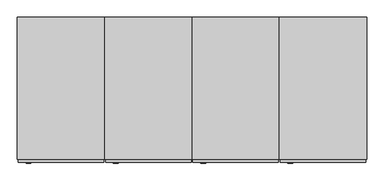
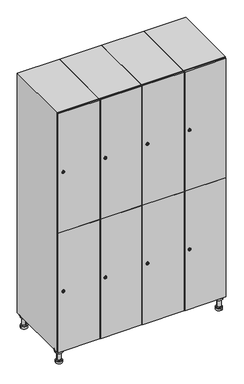
"""IFC4 building model written with IfcOpenShell, lengths in millimetres: furniture geometry."""

from ifc_helpers import new_model, si_unit, point, frame, frame_2d, origin, place, context, project, spatial, polyline, circle_curve, trimmed, segment, composite_curve, outline, extrude, faceted_brep, source, transform, mapped, element, save
from ifc_brep_helpers import plane_surface, cylinder_surface, revolved_surface, advanced_brep


def furniture_1a298f1e(model_context):
    return source(origin(), model_context, "Body", "SolidModel", [
        advanced_brep(
        [(970.0, -201.0, 22.0), (970.0, -201.5, 16.0), (970.0, -228.5, 16.0), (970.0, -229.0, 22.0), (956.0, -215.0, 22.0), (984.0, -215.0, 22.0), (970.0, -192.5, 16.0), (970.0, -237.5, 16.0), (970.0, -192.5, 0.0), (970.0, -237.5, 0.0), (984.0, -215.0, 78.0), (956.0, -215.0, 78.0), (995.0, -215.0, 78.0), (945.0, -215.0, 78.0), (1000.0, -215.0, 94.0), (940.0, -215.0, 94.0), (945.0, -215.0, 94.0), (995.0, -215.0, 94.0), (1000.0, -215.0, 100.0), (940.0, -215.0, 100.0)],
        [
            (0, 1),
            (1, 2, circle_curve(frame((970.0, -215.0, 16.0), z_axis=(0.0, 0.0, 1.0), x_axis=(0.0, -1.0, 0.0)), 13.5)),
            (2, 3),
            (3, 4, circle_curve(frame((970.0, -215.0, 22.0), z_axis=(0.0, 0.0, -1.0), x_axis=(0.0, -1.0, 0.0)), 14.0)),
            (4, 0, circle_curve(frame((970.0, -215.0, 22.0), z_axis=(0.0, 0.0, -1.0), x_axis=(0.0, -1.0, 0.0)), 14.0)),
            (0, 5, circle_curve(frame((970.0, -215.0, 22.0), z_axis=(0.0, 0.0, -1.0), x_axis=(0.0, 1.0, 0.0)), 14.0)),
            (5, 3, circle_curve(frame((970.0, -215.0, 22.0), z_axis=(0.0, 0.0, -1.0), x_axis=(0.0, 1.0, 0.0)), 14.0)),
            (2, 1, circle_curve(frame((970.0, -215.0, 16.0), z_axis=(0.0, 0.0, 1.0), x_axis=(0.0, 1.0, 0.0)), 13.5)),
            (6, 7, circle_curve(frame((970.0, -215.0, 16.0), z_axis=(0.0, 0.0, 1.0), x_axis=(0.0, -1.0, 0.0)), 22.5)),
            (7, 6, circle_curve(frame((970.0, -215.0, 16.0), z_axis=(0.0, 0.0, 1.0), x_axis=(0.0, -1.0, 0.0)), 22.5)),
            (8, 9, circle_curve(frame((970.0, -215.0, 0.0), z_axis=(0.0, 0.0, -1.0), x_axis=(0.0, -1.0, 0.0)), 22.5)),
            (9, 8, circle_curve(frame((970.0, -215.0, 0.0), z_axis=(0.0, 0.0, -1.0), x_axis=(0.0, -1.0, 0.0)), 22.5)),
            (6, 8),
            (9, 7),
            (5, 10),
            (10, 11, circle_curve(frame((970.0, -215.0, 78.0), z_axis=(0.0, 0.0, -1.0), x_axis=(-1.0, 0.0, 0.0)), 14.0)),
            (11, 4),
            (11, 10, circle_curve(frame((970.0, -215.0, 78.0), z_axis=(0.0, 0.0, -1.0), x_axis=(-1.0, 0.0, 0.0)), 14.0)),
            (12, 13, circle_curve(frame((970.0, -215.0, 78.0), z_axis=(0.0, 0.0, -1.0), x_axis=(-1.0, 0.0, 0.0)), 25.0)),
            (13, 12, circle_curve(frame((970.0, -215.0, 78.0), z_axis=(0.0, 0.0, -1.0), x_axis=(-1.0, 0.0, 0.0)), 25.0)),
            (14, 15, circle_curve(frame((970.0, -215.0, 94.0), z_axis=(0.0, 0.0, -1.0), x_axis=(-1.0, 0.0, 0.0)), 30.0)),
            (15, 14, circle_curve(frame((970.0, -215.0, 94.0), z_axis=(0.0, 0.0, -1.0), x_axis=(-1.0, 0.0, 0.0)), 30.0)),
            (16, 17, circle_curve(frame((970.0, -215.0, 94.0), z_axis=(0.0, 0.0, 1.0), x_axis=(-1.0, 0.0, 0.0)), 25.0)),
            (17, 16, circle_curve(frame((970.0, -215.0, 94.0), z_axis=(0.0, 0.0, 1.0), x_axis=(-1.0, 0.0, 0.0)), 25.0)),
            (18, 19, circle_curve(frame((970.0, -215.0, 100.0), z_axis=(0.0, 0.0, 1.0), x_axis=(-1.0, 0.0, 0.0)), 30.0)),
            (19, 18, circle_curve(frame((970.0, -215.0, 100.0), z_axis=(0.0, 0.0, 1.0), x_axis=(-1.0, 0.0, 0.0)), 30.0)),
            (14, 18),
            (19, 15),
            (12, 17),
            (16, 13),
        ],
        [
            revolved_surface(polyline([(970.0, -201.5, 16.0), (970.0, -201.0, 22.0)]), (970.0, -215.0, -146.0), (0.0, 0.0, 1.0)),
            plane_surface(frame((970.0, 0.0, 16.0), z_axis=(0.0, 0.0, 1.0), x_axis=(0.0, -1.0, 0.0))),
            plane_surface(frame((970.0, 0.0, 0.0), z_axis=(0.0, 0.0, -1.0), x_axis=(0.0, -1.0, 0.0))),
            cylinder_surface(frame((970.0, -215.0, 16.0), z_axis=(0.0, 0.0, 1.0), x_axis=(0.0, -1.0, 0.0)), 22.5),
            cylinder_surface(frame((970.0, -215.0, 22.0), z_axis=(0.0, 0.0, -1.0), x_axis=(-1.0, 0.0, 0.0)), 14.0),
            plane_surface(frame((970.0, 0.0, 78.0), z_axis=(0.0, 0.0, -1.0), x_axis=(0.0, -1.0, 0.0))),
            plane_surface(frame((970.0, 0.0, 94.0), z_axis=(0.0, 0.0, -1.0), x_axis=(0.0, -1.0, 0.0))),
            plane_surface(frame((970.0, 0.0, 100.0), z_axis=(0.0, 0.0, 1.0), x_axis=(0.0, -1.0, 0.0))),
            cylinder_surface(frame((970.0, -215.0, 94.0), z_axis=(0.0, 0.0, -1.0), x_axis=(-1.0, 0.0, 0.0)), 30.0),
            cylinder_surface(frame((970.0, -215.0, 78.0), z_axis=(0.0, 0.0, -1.0), x_axis=(-1.0, 0.0, 0.0)), 25.0),
        ],
        [
            (0, [[1, 2, 3, 4, 5]]),
            (0, [[-1, 6, 7, -3, 8]]),
            (1, [[9, 10], [-2, -8]]),
            (2, [[11, 12]]),
            (3, [[-9, 13, -12, 14]]),
            (3, [[-10, -14, -11, -13]]),
            (4, [[15, 16, 17, -4, -7]]),
            (4, [[-15, -6, -5, -17, 18]]),
            (5, [[19, 20], [-16, -18]]),
            (6, [[21, 22], [23, 24]]),
            (7, [[25, 26]]),
            (8, [[-21, 27, -26, 28]]),
            (8, [[-22, -28, -25, -27]]),
            (9, [[-19, 29, -23, 30]]),
            (9, [[-20, -30, -24, -29]]),
        ],
    ),
        advanced_brep(
        [(-170.0, -201.0, 22.0), (-170.0, -201.5, 16.0), (-170.0, -228.5, 16.0), (-170.0, -229.0, 22.0), (-184.0, -215.0, 22.0), (-156.0, -215.0, 22.0), (-147.5, -215.0, 0.0), (-192.5, -215.0, 0.0), (-147.5, -215.0, 16.0), (-192.5, -215.0, 16.0), (-156.0, -215.0, 78.0), (-184.0, -215.0, 78.0), (-145.0, -215.0, 78.0), (-195.0, -215.0, 78.0), (-140.0, -215.0, 94.0), (-200.0, -215.0, 94.0), (-195.0, -215.0, 94.0), (-145.0, -215.0, 94.0), (-140.0, -215.0, 100.0), (-200.0, -215.0, 100.0)],
        [
            (0, 1),
            (1, 2, circle_curve(frame((-170.0, -215.0, 16.0), z_axis=(0.0, 0.0, 1.0), x_axis=(0.0, -1.0, 0.0)), 13.5)),
            (2, 3),
            (3, 4, circle_curve(frame((-170.0, -215.0, 22.0), z_axis=(0.0, 0.0, -1.0), x_axis=(0.0, -1.0, 0.0)), 14.0)),
            (4, 0, circle_curve(frame((-170.0, -215.0, 22.0), z_axis=(0.0, 0.0, -1.0), x_axis=(0.0, -1.0, 0.0)), 14.0)),
            (0, 5, circle_curve(frame((-170.0, -215.0, 22.0), z_axis=(0.0, 0.0, -1.0), x_axis=(0.0, 1.0, 0.0)), 14.0)),
            (5, 3, circle_curve(frame((-170.0, -215.0, 22.0), z_axis=(0.0, 0.0, -1.0), x_axis=(0.0, 1.0, 0.0)), 14.0)),
            (2, 1, circle_curve(frame((-170.0, -215.0, 16.0), z_axis=(0.0, 0.0, 1.0), x_axis=(0.0, 1.0, 0.0)), 13.5)),
            (6, 7, circle_curve(frame((-170.0, -215.0, 0.0), z_axis=(0.0, 0.0, -1.0), x_axis=(-1.0, 0.0, 0.0)), 22.5)),
            (7, 6, circle_curve(frame((-170.0, -215.0, 0.0), z_axis=(0.0, 0.0, -1.0), x_axis=(-1.0, 0.0, 0.0)), 22.5)),
            (8, 9, circle_curve(frame((-170.0, -215.0, 16.0), z_axis=(0.0, 0.0, 1.0), x_axis=(-1.0, 0.0, 0.0)), 22.5)),
            (9, 8, circle_curve(frame((-170.0, -215.0, 16.0), z_axis=(0.0, 0.0, 1.0), x_axis=(-1.0, 0.0, 0.0)), 22.5)),
            (6, 8),
            (9, 7),
            (5, 10),
            (10, 11, circle_curve(frame((-170.0, -215.0, 78.0), z_axis=(0.0, 0.0, -1.0), x_axis=(-1.0, 0.0, 0.0)), 14.0)),
            (11, 4),
            (11, 10, circle_curve(frame((-170.0, -215.0, 78.0), z_axis=(0.0, 0.0, -1.0), x_axis=(-1.0, 0.0, 0.0)), 14.0)),
            (12, 13, circle_curve(frame((-170.0, -215.0, 78.0), z_axis=(0.0, 0.0, -1.0), x_axis=(-1.0, 0.0, 0.0)), 25.0)),
            (13, 12, circle_curve(frame((-170.0, -215.0, 78.0), z_axis=(0.0, 0.0, -1.0), x_axis=(-1.0, 0.0, 0.0)), 25.0)),
            (14, 15, circle_curve(frame((-170.0, -215.0, 94.0), z_axis=(0.0, 0.0, -1.0), x_axis=(-1.0, 0.0, 0.0)), 30.0)),
            (15, 14, circle_curve(frame((-170.0, -215.0, 94.0), z_axis=(0.0, 0.0, -1.0), x_axis=(-1.0, 0.0, 0.0)), 30.0)),
            (16, 17, circle_curve(frame((-170.0, -215.0, 94.0), z_axis=(0.0, 0.0, 1.0), x_axis=(-1.0, 0.0, 0.0)), 25.0)),
            (17, 16, circle_curve(frame((-170.0, -215.0, 94.0), z_axis=(0.0, 0.0, 1.0), x_axis=(-1.0, 0.0, 0.0)), 25.0)),
            (18, 19, circle_curve(frame((-170.0, -215.0, 100.0), z_axis=(0.0, 0.0, 1.0), x_axis=(-1.0, 0.0, 0.0)), 30.0)),
            (19, 18, circle_curve(frame((-170.0, -215.0, 100.0), z_axis=(0.0, 0.0, 1.0), x_axis=(-1.0, 0.0, 0.0)), 30.0)),
            (14, 18),
            (19, 15),
            (12, 17),
            (16, 13),
        ],
        [
            revolved_surface(polyline([(-170.0, -201.5, 16.0), (-170.0, -201.0, 22.0)]), (-170.0, -215.0, -146.0), (0.0, 0.0, 1.0)),
            plane_surface(frame((-170.0, 0.0, 0.0), z_axis=(0.0, 0.0, -1.0), x_axis=(0.0, -1.0, 0.0))),
            plane_surface(frame((-170.0, 0.0, 16.0), z_axis=(0.0, 0.0, 1.0), x_axis=(0.0, -1.0, 0.0))),
            cylinder_surface(frame((-170.0, -215.0, 0.0), z_axis=(0.0, 0.0, -1.0), x_axis=(-1.0, 0.0, 0.0)), 22.5),
            cylinder_surface(frame((-170.0, -215.0, 22.0), z_axis=(0.0, 0.0, -1.0), x_axis=(-1.0, 0.0, 0.0)), 14.0),
            plane_surface(frame((-170.0, 0.0, 78.0), z_axis=(0.0, 0.0, -1.0), x_axis=(0.0, -1.0, 0.0))),
            plane_surface(frame((-170.0, 0.0, 94.0), z_axis=(0.0, 0.0, -1.0), x_axis=(0.0, -1.0, 0.0))),
            plane_surface(frame((-170.0, 0.0, 100.0), z_axis=(0.0, 0.0, 1.0), x_axis=(0.0, -1.0, 0.0))),
            cylinder_surface(frame((-170.0, -215.0, 94.0), z_axis=(0.0, 0.0, -1.0), x_axis=(-1.0, 0.0, 0.0)), 30.0),
            cylinder_surface(frame((-170.0, -215.0, 78.0), z_axis=(0.0, 0.0, -1.0), x_axis=(-1.0, 0.0, 0.0)), 25.0),
        ],
        [
            (0, [[1, 2, 3, 4, 5]]),
            (0, [[-1, 6, 7, -3, 8]]),
            (1, [[9, 10]]),
            (2, [[11, 12], [-2, -8]]),
            (3, [[-9, 13, -12, 14]]),
            (3, [[-10, -14, -11, -13]]),
            (4, [[15, 16, 17, -4, -7]]),
            (4, [[-15, -6, -5, -17, 18]]),
            (5, [[19, 20], [-16, -18]]),
            (6, [[21, 22], [23, 24]]),
            (7, [[25, 26]]),
            (8, [[-21, 27, -26, 28]]),
            (8, [[-22, -28, -25, -27]]),
            (9, [[-19, 29, -23, 30]]),
            (9, [[-20, -30, -24, -29]]),
        ],
    ),
        advanced_brep(
        [(983.5, 215.0, 16.0), (984.0, 215.0, 22.0), (956.0, 215.0, 22.0), (956.5, 215.0, 16.0), (992.5, 215.0, 0.0), (947.5, 215.0, 0.0), (992.5, 215.0, 16.0), (947.5, 215.0, 16.0), (984.0, 215.0, 78.0), (956.0, 215.0, 78.0), (995.0, 215.0, 78.0), (945.0, 215.0, 78.0), (1000.0, 215.0, 94.0), (940.0, 215.0, 94.0), (945.0, 215.0, 94.0), (995.0, 215.0, 94.0), (1000.0, 215.0, 100.0), (940.0, 215.0, 100.0)],
        [
            (0, 1),
            (1, 2, circle_curve(frame((970.0, 215.0, 22.0), z_axis=(0.0, 0.0, -1.0), x_axis=(-1.0, 0.0, 0.0)), 14.0)),
            (2, 3),
            (3, 0, circle_curve(frame((970.0, 215.0, 16.0), z_axis=(0.0, 0.0, 1.0), x_axis=(-1.0, 0.0, 0.0)), 13.5)),
            (0, 3, circle_curve(frame((970.0, 215.0, 16.0), z_axis=(0.0, 0.0, 1.0), x_axis=(1.0, 0.0, 0.0)), 13.5)),
            (2, 1, circle_curve(frame((970.0, 215.0, 22.0), z_axis=(0.0, 0.0, -1.0), x_axis=(1.0, 0.0, 0.0)), 14.0)),
            (4, 5, circle_curve(frame((970.0, 215.0, 0.0), z_axis=(0.0, 0.0, -1.0), x_axis=(-1.0, 0.0, 0.0)), 22.5)),
            (5, 4, circle_curve(frame((970.0, 215.0, 0.0), z_axis=(0.0, 0.0, -1.0), x_axis=(-1.0, 0.0, 0.0)), 22.5)),
            (6, 7, circle_curve(frame((970.0, 215.0, 16.0), z_axis=(0.0, 0.0, 1.0), x_axis=(-1.0, 0.0, 0.0)), 22.5)),
            (7, 6, circle_curve(frame((970.0, 215.0, 16.0), z_axis=(0.0, 0.0, 1.0), x_axis=(-1.0, 0.0, 0.0)), 22.5)),
            (4, 6),
            (7, 5),
            (1, 8),
            (8, 9, circle_curve(frame((970.0, 215.0, 78.0), z_axis=(0.0, 0.0, -1.0), x_axis=(-1.0, 0.0, 0.0)), 14.0)),
            (9, 2),
            (9, 8, circle_curve(frame((970.0, 215.0, 78.0), z_axis=(0.0, 0.0, -1.0), x_axis=(-1.0, 0.0, 0.0)), 14.0)),
            (10, 11, circle_curve(frame((970.0, 215.0, 78.0), z_axis=(0.0, 0.0, -1.0), x_axis=(-1.0, 0.0, 0.0)), 25.0)),
            (11, 10, circle_curve(frame((970.0, 215.0, 78.0), z_axis=(0.0, 0.0, -1.0), x_axis=(-1.0, 0.0, 0.0)), 25.0)),
            (12, 13, circle_curve(frame((970.0, 215.0, 94.0), z_axis=(0.0, 0.0, -1.0), x_axis=(-1.0, 0.0, 0.0)), 30.0)),
            (13, 12, circle_curve(frame((970.0, 215.0, 94.0), z_axis=(0.0, 0.0, -1.0), x_axis=(-1.0, 0.0, 0.0)), 30.0)),
            (14, 15, circle_curve(frame((970.0, 215.0, 94.0), z_axis=(0.0, 0.0, 1.0), x_axis=(-1.0, 0.0, 0.0)), 25.0)),
            (15, 14, circle_curve(frame((970.0, 215.0, 94.0), z_axis=(0.0, 0.0, 1.0), x_axis=(-1.0, 0.0, 0.0)), 25.0)),
            (16, 17, circle_curve(frame((970.0, 215.0, 100.0), z_axis=(0.0, 0.0, 1.0), x_axis=(-1.0, 0.0, 0.0)), 30.0)),
            (17, 16, circle_curve(frame((970.0, 215.0, 100.0), z_axis=(0.0, 0.0, 1.0), x_axis=(-1.0, 0.0, 0.0)), 30.0)),
            (12, 16),
            (17, 13),
            (10, 15),
            (14, 11),
        ],
        [
            revolved_surface(polyline([(983.5, 215.0, 16.0), (984.0, 215.0, 22.0)]), (970.0, 215.0, -146.0), (0.0, 0.0, 1.0)),
            plane_surface(frame((970.0, 0.0, 0.0), z_axis=(0.0, 0.0, -1.0), x_axis=(0.0, -1.0, 0.0))),
            plane_surface(frame((970.0, 0.0, 16.0), z_axis=(0.0, 0.0, 1.0), x_axis=(0.0, -1.0, 0.0))),
            cylinder_surface(frame((970.0, 215.0, 0.0), z_axis=(0.0, 0.0, -1.0), x_axis=(-1.0, 0.0, 0.0)), 22.5),
            cylinder_surface(frame((970.0, 215.0, 22.0), z_axis=(0.0, 0.0, -1.0), x_axis=(-1.0, 0.0, 0.0)), 14.0),
            plane_surface(frame((970.0, 0.0, 78.0), z_axis=(0.0, 0.0, -1.0), x_axis=(0.0, -1.0, 0.0))),
            plane_surface(frame((970.0, 0.0, 94.0), z_axis=(0.0, 0.0, -1.0), x_axis=(0.0, -1.0, 0.0))),
            plane_surface(frame((970.0, 0.0, 100.0), z_axis=(0.0, 0.0, 1.0), x_axis=(0.0, -1.0, 0.0))),
            cylinder_surface(frame((970.0, 215.0, 94.0), z_axis=(0.0, 0.0, -1.0), x_axis=(-1.0, 0.0, 0.0)), 30.0),
            cylinder_surface(frame((970.0, 215.0, 78.0), z_axis=(0.0, 0.0, -1.0), x_axis=(-1.0, 0.0, 0.0)), 25.0),
        ],
        [
            (0, [[1, 2, 3, 4]]),
            (0, [[-1, 5, -3, 6]]),
            (1, [[7, 8]]),
            (2, [[9, 10], [-4, -5]]),
            (3, [[-7, 11, -10, 12]]),
            (3, [[-8, -12, -9, -11]]),
            (4, [[13, 14, 15, -2]]),
            (4, [[-13, -6, -15, 16]]),
            (5, [[17, 18], [-14, -16]]),
            (6, [[19, 20], [21, 22]]),
            (7, [[23, 24]]),
            (8, [[-19, 25, -24, 26]]),
            (8, [[-20, -26, -23, -25]]),
            (9, [[-17, 27, -21, 28]]),
            (9, [[-18, -28, -22, -27]]),
        ],
    ),
        advanced_brep(
        [(-156.5, 215.0, 16.0), (-156.0, 215.0, 22.0), (-170.0, 201.0, 22.0), (-184.0, 215.0, 22.0), (-183.5, 215.0, 16.0), (-170.0, 229.0, 22.0), (-147.5, 215.0, 0.0), (-192.5, 215.0, 0.0), (-147.5, 215.0, 16.0), (-192.5, 215.0, 16.0), (-170.0, 229.0, 78.0), (-170.0, 201.0, 78.0), (-145.0, 215.0, 78.0), (-195.0, 215.0, 78.0), (-140.0, 215.0, 94.0), (-200.0, 215.0, 94.0), (-195.0, 215.0, 94.0), (-145.0, 215.0, 94.0), (-140.0, 215.0, 100.0), (-200.0, 215.0, 100.0)],
        [
            (0, 1),
            (1, 2, circle_curve(frame((-170.0, 215.0, 22.0), z_axis=(0.0, 0.0, -1.0), x_axis=(-1.0, 0.0, 0.0)), 14.0)),
            (2, 3, circle_curve(frame((-170.0, 215.0, 22.0), z_axis=(0.0, 0.0, -1.0), x_axis=(-1.0, 0.0, 0.0)), 14.0)),
            (3, 4),
            (4, 0, circle_curve(frame((-170.0, 215.0, 16.0), z_axis=(0.0, 0.0, 1.0), x_axis=(-1.0, 0.0, 0.0)), 13.5)),
            (0, 4, circle_curve(frame((-170.0, 215.0, 16.0), z_axis=(0.0, 0.0, 1.0), x_axis=(1.0, 0.0, 0.0)), 13.5)),
            (3, 5, circle_curve(frame((-170.0, 215.0, 22.0), z_axis=(0.0, 0.0, -1.0), x_axis=(1.0, 0.0, 0.0)), 14.0)),
            (5, 1, circle_curve(frame((-170.0, 215.0, 22.0), z_axis=(0.0, 0.0, -1.0), x_axis=(1.0, 0.0, 0.0)), 14.0)),
            (6, 7, circle_curve(frame((-170.0, 215.0, 0.0), z_axis=(0.0, 0.0, -1.0), x_axis=(-1.0, 0.0, 0.0)), 22.5)),
            (7, 6, circle_curve(frame((-170.0, 215.0, 0.0), z_axis=(0.0, 0.0, -1.0), x_axis=(-1.0, 0.0, 0.0)), 22.5)),
            (8, 9, circle_curve(frame((-170.0, 215.0, 16.0), z_axis=(0.0, 0.0, 1.0), x_axis=(-1.0, 0.0, 0.0)), 22.5)),
            (9, 8, circle_curve(frame((-170.0, 215.0, 16.0), z_axis=(0.0, 0.0, 1.0), x_axis=(-1.0, 0.0, 0.0)), 22.5)),
            (6, 8),
            (9, 7),
            (10, 5),
            (2, 11),
            (11, 10, circle_curve(frame((-170.0, 215.0, 78.0), z_axis=(0.0, 0.0, -1.0), x_axis=(0.0, -1.0, 0.0)), 14.0)),
            (10, 11, circle_curve(frame((-170.0, 215.0, 78.0), z_axis=(0.0, 0.0, -1.0), x_axis=(0.0, -1.0, 0.0)), 14.0)),
            (12, 13, circle_curve(frame((-170.0, 215.0, 78.0), z_axis=(0.0, 0.0, -1.0), x_axis=(-1.0, 0.0, 0.0)), 25.0)),
            (13, 12, circle_curve(frame((-170.0, 215.0, 78.0), z_axis=(0.0, 0.0, -1.0), x_axis=(-1.0, 0.0, 0.0)), 25.0)),
            (14, 15, circle_curve(frame((-170.0, 215.0, 94.0), z_axis=(0.0, 0.0, -1.0), x_axis=(-1.0, 0.0, 0.0)), 30.0)),
            (15, 14, circle_curve(frame((-170.0, 215.0, 94.0), z_axis=(0.0, 0.0, -1.0), x_axis=(-1.0, 0.0, 0.0)), 30.0)),
            (16, 17, circle_curve(frame((-170.0, 215.0, 94.0), z_axis=(0.0, 0.0, 1.0), x_axis=(-1.0, 0.0, 0.0)), 25.0)),
            (17, 16, circle_curve(frame((-170.0, 215.0, 94.0), z_axis=(0.0, 0.0, 1.0), x_axis=(-1.0, 0.0, 0.0)), 25.0)),
            (18, 19, circle_curve(frame((-170.0, 215.0, 100.0), z_axis=(0.0, 0.0, 1.0), x_axis=(-1.0, 0.0, 0.0)), 30.0)),
            (19, 18, circle_curve(frame((-170.0, 215.0, 100.0), z_axis=(0.0, 0.0, 1.0), x_axis=(-1.0, 0.0, 0.0)), 30.0)),
            (14, 18),
            (19, 15),
            (12, 17),
            (16, 13),
        ],
        [
            revolved_surface(polyline([(-156.5, 215.0, 16.0), (-156.0, 215.0, 22.0)]), (-170.0, 215.0, -146.0), (0.0, 0.0, 1.0)),
            plane_surface(frame((-170.0, 0.0, 0.0), z_axis=(0.0, 0.0, -1.0), x_axis=(0.0, -1.0, 0.0))),
            plane_surface(frame((-170.0, 0.0, 16.0), z_axis=(0.0, 0.0, 1.0), x_axis=(0.0, -1.0, 0.0))),
            cylinder_surface(frame((-170.0, 215.0, 0.0), z_axis=(0.0, 0.0, -1.0), x_axis=(-1.0, 0.0, 0.0)), 22.5),
            cylinder_surface(frame((-170.0, 215.0, 78.0), z_axis=(0.0, 0.0, 1.0), x_axis=(0.0, -1.0, 0.0)), 14.0),
            plane_surface(frame((-170.0, 0.0, 78.0), z_axis=(0.0, 0.0, -1.0), x_axis=(0.0, -1.0, 0.0))),
            plane_surface(frame((-170.0, 0.0, 94.0), z_axis=(0.0, 0.0, -1.0), x_axis=(0.0, -1.0, 0.0))),
            plane_surface(frame((-170.0, 0.0, 100.0), z_axis=(0.0, 0.0, 1.0), x_axis=(0.0, -1.0, 0.0))),
            cylinder_surface(frame((-170.0, 215.0, 94.0), z_axis=(0.0, 0.0, -1.0), x_axis=(-1.0, 0.0, 0.0)), 30.0),
            cylinder_surface(frame((-170.0, 215.0, 78.0), z_axis=(0.0, 0.0, -1.0), x_axis=(-1.0, 0.0, 0.0)), 25.0),
        ],
        [
            (0, [[1, 2, 3, 4, 5]]),
            (0, [[-1, 6, -4, 7, 8]]),
            (1, [[9, 10]]),
            (2, [[11, 12], [-5, -6]]),
            (3, [[-9, 13, -12, 14]]),
            (3, [[-10, -14, -11, -13]]),
            (4, [[15, -7, -3, 16, 17]]),
            (4, [[-15, 18, -16, -2, -8]]),
            (5, [[19, 20], [-17, -18]]),
            (6, [[21, 22], [23, 24]]),
            (7, [[25, 26]]),
            (8, [[-21, 27, -26, 28]]),
            (8, [[-22, -28, -25, -27]]),
            (9, [[-19, 29, -23, 30]]),
            (9, [[-20, -30, -24, -29]]),
        ],
    ),
        extrude(outline(composite_curve([segment(trimmed(circle_curve(frame_2d((551.5, 711.2010534)), 7.0), [point((558.5, 711.2010534))], [point((544.5, 711.2010534))], False, "CARTESIAN"), True, "CONTINUOUS"), segment(polyline([(544.5, 711.2010534), (544.5, 739.2010534)]), True, "CONTINUOUS"), segment(trimmed(circle_curve(frame_2d((551.5, 739.2010534)), 7.0), [point((544.5, 739.2010534))], [point((558.5, 739.2010534))], False, "CARTESIAN"), True, "CONTINUOUS"), segment(polyline([(558.5, 739.2010534), (558.5, 711.2010534)]), True, "CONTINUOUS")], self_intersect=False)), frame((0.0, -245.0, 0.0), z_axis=(0.0, 1.0, 0.0), x_axis=(0.0, 0.0, 1.0)), (0.0, 0.0, 1.0), 2.0),
        advanced_brep(
        [(746.5, -257.2, 551.5), (729.5, -257.2, 551.5), (733.0, -257.2, 550.25), (733.0, -257.2, 552.75), (743.0, -257.2, 552.75), (743.0, -257.2, 550.25), (748.5, -255.0, 551.5), (727.5, -255.0, 551.5), (733.0, -255.0, 552.75), (733.0, -255.0, 550.25), (743.0, -255.0, 550.25), (743.0, -255.0, 552.75)],
        [
            (0, 1, circle_curve(frame((738.0, -257.2, 551.5), z_axis=(0.0, -1.0, 0.0), x_axis=(1.0, 0.0, 0.0)), 8.5)),
            (1, 0, circle_curve(frame((738.0, -257.2, 551.5), z_axis=(0.0, -1.0, 0.0), x_axis=(-1.0, 0.0, 0.0)), 8.5)),
            (2, 3),
            (3, 4),
            (4, 5),
            (5, 2),
            (6, 7, circle_curve(frame((738.0, -255.0, 551.5), z_axis=(0.0, 1.0, 0.0), x_axis=(-1.0, 0.0, 0.0)), 10.5)),
            (7, 6, circle_curve(frame((738.0, -255.0, 551.5), z_axis=(0.0, 1.0, 0.0), x_axis=(1.0, 0.0, 0.0)), 10.5)),
            (8, 9),
            (9, 10),
            (10, 11),
            (11, 8),
            (0, 6),
            (7, 1),
            (8, 3),
            (2, 9),
            (11, 4),
            (10, 5),
        ],
        [
            plane_surface(frame((738.0, -257.2, 551.5), z_axis=(0.0, -1.0, 0.0), x_axis=(0.0, 0.0, 1.0))),
            plane_surface(frame((738.0, -255.0, 551.5), z_axis=(0.0, 1.0, 0.0), x_axis=(0.0, 0.0, 1.0))),
            revolved_surface(polyline([(746.5, -257.2, 551.5), (748.5, -255.0, 551.5)]), (738.0, -266.55, 551.5), (0.0, 1.0, 0.0)),
            revolved_surface(polyline([(729.5, -257.2, 551.5), (727.5, -255.0, 551.5)]), (738.0, -266.55, 551.5), (0.0, 1.0, 0.0)),
            plane_surface(frame((733.0, -255.0, 550.25), z_axis=(1.0, 0.0, 0.0), x_axis=(0.0, -1.0, 0.0))),
            plane_surface(frame((733.0, -255.0, 552.75), z_axis=(0.0, 0.0, -1.0), x_axis=(0.0, -1.0, 0.0))),
            plane_surface(frame((743.0, -255.0, 552.75), z_axis=(-1.0, 0.0, 0.0), x_axis=(0.0, -1.0, 0.0))),
            plane_surface(frame((743.0, -255.0, 550.25), z_axis=(0.0, 0.0, 1.0), x_axis=(0.0, -1.0, 0.0))),
        ],
        [
            (0, [[1, 2], [3, 4, 5, 6]]),
            (1, [[7, 8], [9, 10, 11, 12]]),
            (2, [[-1, 13, -8, 14]]),
            (3, [[-2, -14, -7, -13]]),
            (4, [[15, -3, 16, -9]]),
            (5, [[-15, -12, 17, -4]]),
            (6, [[-17, -11, 18, -5]]),
            (7, [[-16, -6, -18, -10]]),
        ],
    ),
        extrude(outline(composite_curve([segment(trimmed(circle_curve(frame_2d((1448.5, 711.2010534)), 7.0), [point((1455.5, 711.2010534))], [point((1441.5, 711.2010534))], False, "CARTESIAN"), True, "CONTINUOUS"), segment(polyline([(1441.5, 711.2010534), (1441.5, 739.2010534)]), True, "CONTINUOUS"), segment(trimmed(circle_curve(frame_2d((1448.5, 739.2010534)), 7.0), [point((1441.5, 739.2010534))], [point((1455.5, 739.2010534))], False, "CARTESIAN"), True, "CONTINUOUS"), segment(polyline([(1455.5, 739.2010534), (1455.5, 711.2010534)]), True, "CONTINUOUS")], self_intersect=False)), frame((0.0, -245.0, 0.0), z_axis=(0.0, 1.0, 0.0), x_axis=(0.0, 0.0, 1.0)), (0.0, 0.0, 1.0), 2.0),
        advanced_brep(
        [(746.5, -257.2, 1448.5), (729.5, -257.2, 1448.5), (733.0, -257.2, 1447.25), (733.0, -257.2, 1449.75), (743.0, -257.2, 1449.75), (743.0, -257.2, 1447.25), (748.5, -255.0, 1448.5), (727.5, -255.0, 1448.5), (733.0, -255.0, 1449.75), (733.0, -255.0, 1447.25), (743.0, -255.0, 1447.25), (743.0, -255.0, 1449.75)],
        [
            (0, 1, circle_curve(frame((738.0, -257.2, 1448.5), z_axis=(0.0, -1.0, 0.0), x_axis=(1.0, 0.0, 0.0)), 8.5)),
            (1, 0, circle_curve(frame((738.0, -257.2, 1448.5), z_axis=(0.0, -1.0, 0.0), x_axis=(-1.0, 0.0, 0.0)), 8.5)),
            (2, 3),
            (3, 4),
            (4, 5),
            (5, 2),
            (6, 7, circle_curve(frame((738.0, -255.0, 1448.5), z_axis=(0.0, 1.0, 0.0), x_axis=(-1.0, 0.0, 0.0)), 10.5)),
            (7, 6, circle_curve(frame((738.0, -255.0, 1448.5), z_axis=(0.0, 1.0, 0.0), x_axis=(1.0, 0.0, 0.0)), 10.5)),
            (8, 9),
            (9, 10),
            (10, 11),
            (11, 8),
            (0, 6),
            (7, 1),
            (8, 3),
            (2, 9),
            (11, 4),
            (10, 5),
        ],
        [
            plane_surface(frame((738.0, -257.2, 1448.5), z_axis=(0.0, -1.0, 0.0), x_axis=(0.0, 0.0, 1.0))),
            plane_surface(frame((738.0, -255.0, 1448.5), z_axis=(0.0, 1.0, 0.0), x_axis=(0.0, 0.0, 1.0))),
            revolved_surface(polyline([(746.5, -257.2, 1448.5), (748.5, -255.0, 1448.5)]), (738.0, -266.55, 1448.5), (0.0, 1.0, 0.0)),
            revolved_surface(polyline([(729.5, -257.2, 1448.5), (727.5, -255.0, 1448.5)]), (738.0, -266.55, 1448.5), (0.0, 1.0, 0.0)),
            plane_surface(frame((733.0, -255.0, 1447.25), z_axis=(1.0, 0.0, 0.0), x_axis=(0.0, -1.0, 0.0))),
            plane_surface(frame((733.0, -255.0, 1449.75), z_axis=(0.0, 0.0, -1.0), x_axis=(0.0, -1.0, 0.0))),
            plane_surface(frame((743.0, -255.0, 1449.75), z_axis=(-1.0, 0.0, 0.0), x_axis=(0.0, -1.0, 0.0))),
            plane_surface(frame((743.0, -255.0, 1447.25), z_axis=(0.0, 0.0, 1.0), x_axis=(0.0, -1.0, 0.0))),
        ],
        [
            (0, [[1, 2], [3, 4, 5, 6]]),
            (1, [[7, 8], [9, 10, 11, 12]]),
            (2, [[-1, 13, -8, 14]]),
            (3, [[-2, -14, -7, -13]]),
            (4, [[15, -3, 16, -9]]),
            (5, [[-15, -12, 17, -4]]),
            (6, [[-17, -11, 18, -5]]),
            (7, [[-16, -6, -18, -10]]),
        ],
    ),
        extrude(outline(polyline([(703.0, -255.0), (703.0, -245.0), (997.0, -245.0), (997.0, -255.0), (703.0, -255.0)])), frame((0.0, 0.0, 103.0), z_axis=(0.0, 0.0, 1.0), x_axis=(1.0, 0.0, 0.0)), (0.0, 0.0, 1.0), 896.5),
        extrude(outline(polyline([(997.0, -245.0), (997.0, -255.0), (703.0, -255.0), (703.0, -245.0), (997.0, -245.0)])), frame((0.0, 0.0, 1000.5), z_axis=(0.0, 0.0, 1.0), x_axis=(1.0, 0.0, 0.0)), (0.0, 0.0, 1.0), 896.5),
        extrude(outline(polyline([(990.0, 241.0), (990.0, -235.0), (710.0, -235.0), (710.0, 241.0), (990.0, 241.0)])), frame((0.0, 0.0, 995.0), z_axis=(0.0, 0.0, 1.0), x_axis=(1.0, 0.0, 0.0)), (0.0, 0.0, 1.0), 10.0),
        faceted_brep([(1000.0, -245.0, 100.0), (1000.0, -245.0, 1900.0), (700.0, -245.0, 1900.0), (700.0, -245.0, 100.0), (990.0, -245.0, 1890.0), (990.0, -245.0, 110.0), (710.0, -245.0, 110.0), (710.0, -245.0, 1890.0), (1000.0, 245.0, 100.0), (700.0, 245.0, 100.0), (1000.0, 245.0, 1900.0), (700.0, 245.0, 1900.0), (990.0, 241.0, 1890.0), (990.0, 241.0, 110.0), (700.0, 245.0, 1890.0), (710.0, 241.0, 1890.0), (710.0, 241.0, 110.0)], [[[0, 1, 2, 3], [4, 5, 6, 7]], [[8, 0, 3, 9]], [[1, 0, 8, 10]], [[1, 10, 11, 2]], [[4, 12, 13, 5]], [[9, 3, 2, 11, 14]], [[10, 8, 9, 14, 11]], [[12, 15, 16, 13]], [[15, 7, 6, 16]], [[4, 7, 15, 12]], [[6, 5, 13, 16]]]),
        extrude(outline(composite_curve([segment(trimmed(circle_curve(frame_2d((551.5, 411.2010534)), 7.0), [point((558.5, 411.2010534))], [point((544.5, 411.2010534))], False, "CARTESIAN"), True, "CONTINUOUS"), segment(polyline([(544.5, 411.2010534), (544.5, 439.2010534)]), True, "CONTINUOUS"), segment(trimmed(circle_curve(frame_2d((551.5, 439.2010534)), 7.0), [point((544.5, 439.2010534))], [point((558.5, 439.2010534))], False, "CARTESIAN"), True, "CONTINUOUS"), segment(polyline([(558.5, 439.2010534), (558.5, 411.2010534)]), True, "CONTINUOUS")], self_intersect=False)), frame((0.0, -245.0, 0.0), z_axis=(0.0, 1.0, 0.0), x_axis=(0.0, 0.0, 1.0)), (0.0, 0.0, 1.0), 2.0),
        advanced_brep(
        [(446.5, -257.2, 551.5), (429.5, -257.2, 551.5), (433.0, -257.2, 550.25), (433.0, -257.2, 552.75), (443.0, -257.2, 552.75), (443.0, -257.2, 550.25), (448.5, -255.0, 551.5), (427.5, -255.0, 551.5), (433.0, -255.0, 552.75), (433.0, -255.0, 550.25), (443.0, -255.0, 550.25), (443.0, -255.0, 552.75)],
        [
            (0, 1, circle_curve(frame((438.0, -257.2, 551.5), z_axis=(0.0, -1.0, 0.0), x_axis=(1.0, 0.0, 0.0)), 8.5)),
            (1, 0, circle_curve(frame((438.0, -257.2, 551.5), z_axis=(0.0, -1.0, 0.0), x_axis=(-1.0, 0.0, 0.0)), 8.5)),
            (2, 3),
            (3, 4),
            (4, 5),
            (5, 2),
            (6, 7, circle_curve(frame((438.0, -255.0, 551.5), z_axis=(0.0, 1.0, 0.0), x_axis=(-1.0, 0.0, 0.0)), 10.5)),
            (7, 6, circle_curve(frame((438.0, -255.0, 551.5), z_axis=(0.0, 1.0, 0.0), x_axis=(1.0, 0.0, 0.0)), 10.5)),
            (8, 9),
            (9, 10),
            (10, 11),
            (11, 8),
            (0, 6),
            (7, 1),
            (8, 3),
            (2, 9),
            (11, 4),
            (10, 5),
        ],
        [
            plane_surface(frame((438.0, -257.2, 551.5), z_axis=(0.0, -1.0, 0.0), x_axis=(0.0, 0.0, 1.0))),
            plane_surface(frame((438.0, -255.0, 551.5), z_axis=(0.0, 1.0, 0.0), x_axis=(0.0, 0.0, 1.0))),
            revolved_surface(polyline([(446.5, -257.2, 551.5), (448.5, -255.0, 551.5)]), (438.0, -266.55, 551.5), (0.0, 1.0, 0.0)),
            revolved_surface(polyline([(429.5, -257.2, 551.5), (427.5, -255.0, 551.5)]), (438.0, -266.55, 551.5), (0.0, 1.0, 0.0)),
            plane_surface(frame((433.0, -255.0, 550.25), z_axis=(1.0, 0.0, 0.0), x_axis=(0.0, -1.0, 0.0))),
            plane_surface(frame((433.0, -255.0, 552.75), z_axis=(0.0, 0.0, -1.0), x_axis=(0.0, -1.0, 0.0))),
            plane_surface(frame((443.0, -255.0, 552.75), z_axis=(-1.0, 0.0, 0.0), x_axis=(0.0, -1.0, 0.0))),
            plane_surface(frame((443.0, -255.0, 550.25), z_axis=(0.0, 0.0, 1.0), x_axis=(0.0, -1.0, 0.0))),
        ],
        [
            (0, [[1, 2], [3, 4, 5, 6]]),
            (1, [[7, 8], [9, 10, 11, 12]]),
            (2, [[-1, 13, -8, 14]]),
            (3, [[-2, -14, -7, -13]]),
            (4, [[15, -3, 16, -9]]),
            (5, [[-15, -12, 17, -4]]),
            (6, [[-17, -11, 18, -5]]),
            (7, [[-16, -6, -18, -10]]),
        ],
    ),
        extrude(outline(composite_curve([segment(trimmed(circle_curve(frame_2d((1448.5, 411.2010534)), 7.0), [point((1455.5, 411.2010534))], [point((1441.5, 411.2010534))], False, "CARTESIAN"), True, "CONTINUOUS"), segment(polyline([(1441.5, 411.2010534), (1441.5, 439.2010534)]), True, "CONTINUOUS"), segment(trimmed(circle_curve(frame_2d((1448.5, 439.2010534)), 7.0), [point((1441.5, 439.2010534))], [point((1455.5, 439.2010534))], False, "CARTESIAN"), True, "CONTINUOUS"), segment(polyline([(1455.5, 439.2010534), (1455.5, 411.2010534)]), True, "CONTINUOUS")], self_intersect=False)), frame((0.0, -245.0, 0.0), z_axis=(0.0, 1.0, 0.0), x_axis=(0.0, 0.0, 1.0)), (0.0, 0.0, 1.0), 2.0),
        advanced_brep(
        [(446.5, -257.2, 1448.5), (429.5, -257.2, 1448.5), (433.0, -257.2, 1447.25), (433.0, -257.2, 1449.75), (443.0, -257.2, 1449.75), (443.0, -257.2, 1447.25), (448.5, -255.0, 1448.5), (427.5, -255.0, 1448.5), (433.0, -255.0, 1449.75), (433.0, -255.0, 1447.25), (443.0, -255.0, 1447.25), (443.0, -255.0, 1449.75)],
        [
            (0, 1, circle_curve(frame((438.0, -257.2, 1448.5), z_axis=(0.0, -1.0, 0.0), x_axis=(1.0, 0.0, 0.0)), 8.5)),
            (1, 0, circle_curve(frame((438.0, -257.2, 1448.5), z_axis=(0.0, -1.0, 0.0), x_axis=(-1.0, 0.0, 0.0)), 8.5)),
            (2, 3),
            (3, 4),
            (4, 5),
            (5, 2),
            (6, 7, circle_curve(frame((438.0, -255.0, 1448.5), z_axis=(0.0, 1.0, 0.0), x_axis=(-1.0, 0.0, 0.0)), 10.5)),
            (7, 6, circle_curve(frame((438.0, -255.0, 1448.5), z_axis=(0.0, 1.0, 0.0), x_axis=(1.0, 0.0, 0.0)), 10.5)),
            (8, 9),
            (9, 10),
            (10, 11),
            (11, 8),
            (0, 6),
            (7, 1),
            (8, 3),
            (2, 9),
            (11, 4),
            (10, 5),
        ],
        [
            plane_surface(frame((438.0, -257.2, 1448.5), z_axis=(0.0, -1.0, 0.0), x_axis=(0.0, 0.0, 1.0))),
            plane_surface(frame((438.0, -255.0, 1448.5), z_axis=(0.0, 1.0, 0.0), x_axis=(0.0, 0.0, 1.0))),
            revolved_surface(polyline([(446.5, -257.2, 1448.5), (448.5, -255.0, 1448.5)]), (438.0, -266.55, 1448.5), (0.0, 1.0, 0.0)),
            revolved_surface(polyline([(429.5, -257.2, 1448.5), (427.5, -255.0, 1448.5)]), (438.0, -266.55, 1448.5), (0.0, 1.0, 0.0)),
            plane_surface(frame((433.0, -255.0, 1447.25), z_axis=(1.0, 0.0, 0.0), x_axis=(0.0, -1.0, 0.0))),
            plane_surface(frame((433.0, -255.0, 1449.75), z_axis=(0.0, 0.0, -1.0), x_axis=(0.0, -1.0, 0.0))),
            plane_surface(frame((443.0, -255.0, 1449.75), z_axis=(-1.0, 0.0, 0.0), x_axis=(0.0, -1.0, 0.0))),
            plane_surface(frame((443.0, -255.0, 1447.25), z_axis=(0.0, 0.0, 1.0), x_axis=(0.0, -1.0, 0.0))),
        ],
        [
            (0, [[1, 2], [3, 4, 5, 6]]),
            (1, [[7, 8], [9, 10, 11, 12]]),
            (2, [[-1, 13, -8, 14]]),
            (3, [[-2, -14, -7, -13]]),
            (4, [[15, -3, 16, -9]]),
            (5, [[-15, -12, 17, -4]]),
            (6, [[-17, -11, 18, -5]]),
            (7, [[-16, -6, -18, -10]]),
        ],
    ),
        extrude(outline(polyline([(403.0, -255.0), (403.0, -245.0), (697.0, -245.0), (697.0, -255.0), (403.0, -255.0)])), frame((0.0, 0.0, 103.0), z_axis=(0.0, 0.0, 1.0), x_axis=(1.0, 0.0, 0.0)), (0.0, 0.0, 1.0), 896.5),
        extrude(outline(polyline([(697.0, -245.0), (697.0, -255.0), (403.0, -255.0), (403.0, -245.0), (697.0, -245.0)])), frame((0.0, 0.0, 1000.5), z_axis=(0.0, 0.0, 1.0), x_axis=(1.0, 0.0, 0.0)), (0.0, 0.0, 1.0), 896.5),
        extrude(outline(polyline([(690.0, 241.0), (690.0, -235.0), (410.0, -235.0), (410.0, 241.0), (690.0, 241.0)])), frame((0.0, 0.0, 995.0), z_axis=(0.0, 0.0, 1.0), x_axis=(1.0, 0.0, 0.0)), (0.0, 0.0, 1.0), 10.0),
        faceted_brep([(700.0, -245.0, 100.0), (700.0, -245.0, 1900.0), (400.0, -245.0, 1900.0), (400.0, -245.0, 100.0), (690.0, -245.0, 1890.0), (690.0, -245.0, 110.0), (410.0, -245.0, 110.0), (410.0, -245.0, 1890.0), (700.0, 245.0, 100.0), (400.0, 245.0, 100.0), (700.0, 245.0, 1900.0), (400.0, 245.0, 1900.0), (690.0, 241.0, 1890.0), (690.0, 241.0, 110.0), (400.0, 245.0, 1890.0), (410.0, 241.0, 1890.0), (410.0, 241.0, 110.0)], [[[0, 1, 2, 3], [4, 5, 6, 7]], [[8, 0, 3, 9]], [[1, 0, 8, 10]], [[1, 10, 11, 2]], [[4, 12, 13, 5]], [[9, 3, 2, 11, 14]], [[10, 8, 9, 14, 11]], [[12, 15, 16, 13]], [[15, 7, 6, 16]], [[4, 7, 15, 12]], [[6, 5, 13, 16]]]),
        extrude(outline(composite_curve([segment(trimmed(circle_curve(frame_2d((551.5, 111.2010534)), 7.0), [point((558.5, 111.2010534))], [point((544.5, 111.2010534))], False, "CARTESIAN"), True, "CONTINUOUS"), segment(polyline([(544.5, 111.2010534), (544.5, 139.2010534)]), True, "CONTINUOUS"), segment(trimmed(circle_curve(frame_2d((551.5, 139.2010534)), 7.0), [point((544.5, 139.2010534))], [point((558.5, 139.2010534))], False, "CARTESIAN"), True, "CONTINUOUS"), segment(polyline([(558.5, 139.2010534), (558.5, 111.2010534)]), True, "CONTINUOUS")], self_intersect=False)), frame((0.0, -245.0, 0.0), z_axis=(0.0, 1.0, 0.0), x_axis=(0.0, 0.0, 1.0)), (0.0, 0.0, 1.0), 2.0),
        advanced_brep(
        [(146.5, -257.2, 551.5), (129.5, -257.2, 551.5), (133.0, -257.2, 550.25), (133.0, -257.2, 552.75), (143.0, -257.2, 552.75), (143.0, -257.2, 550.25), (148.5, -255.0, 551.5), (127.5, -255.0, 551.5), (133.0, -255.0, 552.75), (133.0, -255.0, 550.25), (143.0, -255.0, 550.25), (143.0, -255.0, 552.75)],
        [
            (0, 1, circle_curve(frame((138.0, -257.2, 551.5), z_axis=(0.0, -1.0, 0.0), x_axis=(1.0, 0.0, 0.0)), 8.5)),
            (1, 0, circle_curve(frame((138.0, -257.2, 551.5), z_axis=(0.0, -1.0, 0.0), x_axis=(-1.0, 0.0, 0.0)), 8.5)),
            (2, 3),
            (3, 4),
            (4, 5),
            (5, 2),
            (6, 7, circle_curve(frame((138.0, -255.0, 551.5), z_axis=(0.0, 1.0, 0.0), x_axis=(-1.0, 0.0, 0.0)), 10.5)),
            (7, 6, circle_curve(frame((138.0, -255.0, 551.5), z_axis=(0.0, 1.0, 0.0), x_axis=(1.0, 0.0, 0.0)), 10.5)),
            (8, 9),
            (9, 10),
            (10, 11),
            (11, 8),
            (0, 6),
            (7, 1),
            (8, 3),
            (2, 9),
            (11, 4),
            (10, 5),
        ],
        [
            plane_surface(frame((138.0, -257.2, 551.5), z_axis=(0.0, -1.0, 0.0), x_axis=(0.0, 0.0, 1.0))),
            plane_surface(frame((138.0, -255.0, 551.5), z_axis=(0.0, 1.0, 0.0), x_axis=(0.0, 0.0, 1.0))),
            revolved_surface(polyline([(146.5, -257.2, 551.5), (148.5, -255.0, 551.5)]), (138.0, -266.55, 551.5), (0.0, 1.0, 0.0)),
            revolved_surface(polyline([(129.5, -257.2, 551.5), (127.5, -255.0, 551.5)]), (138.0, -266.55, 551.5), (0.0, 1.0, 0.0)),
            plane_surface(frame((133.0, -255.0, 550.25), z_axis=(1.0, 0.0, 0.0), x_axis=(0.0, -1.0, 0.0))),
            plane_surface(frame((133.0, -255.0, 552.75), z_axis=(0.0, 0.0, -1.0), x_axis=(0.0, -1.0, 0.0))),
            plane_surface(frame((143.0, -255.0, 552.75), z_axis=(-1.0, 0.0, 0.0), x_axis=(0.0, -1.0, 0.0))),
            plane_surface(frame((143.0, -255.0, 550.25), z_axis=(0.0, 0.0, 1.0), x_axis=(0.0, -1.0, 0.0))),
        ],
        [
            (0, [[1, 2], [3, 4, 5, 6]]),
            (1, [[7, 8], [9, 10, 11, 12]]),
            (2, [[-1, 13, -8, 14]]),
            (3, [[-2, -14, -7, -13]]),
            (4, [[15, -3, 16, -9]]),
            (5, [[-15, -12, 17, -4]]),
            (6, [[-17, -11, 18, -5]]),
            (7, [[-16, -6, -18, -10]]),
        ],
    ),
        extrude(outline(composite_curve([segment(trimmed(circle_curve(frame_2d((1448.5, 111.2010534)), 7.0), [point((1455.5, 111.2010534))], [point((1441.5, 111.2010534))], False, "CARTESIAN"), True, "CONTINUOUS"), segment(polyline([(1441.5, 111.2010534), (1441.5, 139.2010534)]), True, "CONTINUOUS"), segment(trimmed(circle_curve(frame_2d((1448.5, 139.2010534)), 7.0), [point((1441.5, 139.2010534))], [point((1455.5, 139.2010534))], False, "CARTESIAN"), True, "CONTINUOUS"), segment(polyline([(1455.5, 139.2010534), (1455.5, 111.2010534)]), True, "CONTINUOUS")], self_intersect=False)), frame((0.0, -245.0, 0.0), z_axis=(0.0, 1.0, 0.0), x_axis=(0.0, 0.0, 1.0)), (0.0, 0.0, 1.0), 2.0),
        advanced_brep(
        [(146.5, -257.2, 1448.5), (129.5, -257.2, 1448.5), (133.0, -257.2, 1447.25), (133.0, -257.2, 1449.75), (143.0, -257.2, 1449.75), (143.0, -257.2, 1447.25), (148.5, -255.0, 1448.5), (127.5, -255.0, 1448.5), (133.0, -255.0, 1449.75), (133.0, -255.0, 1447.25), (143.0, -255.0, 1447.25), (143.0, -255.0, 1449.75)],
        [
            (0, 1, circle_curve(frame((138.0, -257.2, 1448.5), z_axis=(0.0, -1.0, 0.0), x_axis=(1.0, 0.0, 0.0)), 8.5)),
            (1, 0, circle_curve(frame((138.0, -257.2, 1448.5), z_axis=(0.0, -1.0, 0.0), x_axis=(-1.0, 0.0, 0.0)), 8.5)),
            (2, 3),
            (3, 4),
            (4, 5),
            (5, 2),
            (6, 7, circle_curve(frame((138.0, -255.0, 1448.5), z_axis=(0.0, 1.0, 0.0), x_axis=(-1.0, 0.0, 0.0)), 10.5)),
            (7, 6, circle_curve(frame((138.0, -255.0, 1448.5), z_axis=(0.0, 1.0, 0.0), x_axis=(1.0, 0.0, 0.0)), 10.5)),
            (8, 9),
            (9, 10),
            (10, 11),
            (11, 8),
            (0, 6),
            (7, 1),
            (8, 3),
            (2, 9),
            (11, 4),
            (10, 5),
        ],
        [
            plane_surface(frame((138.0, -257.2, 1448.5), z_axis=(0.0, -1.0, 0.0), x_axis=(0.0, 0.0, 1.0))),
            plane_surface(frame((138.0, -255.0, 1448.5), z_axis=(0.0, 1.0, 0.0), x_axis=(0.0, 0.0, 1.0))),
            revolved_surface(polyline([(146.5, -257.2, 1448.5), (148.5, -255.0, 1448.5)]), (138.0, -266.55, 1448.5), (0.0, 1.0, 0.0)),
            revolved_surface(polyline([(129.5, -257.2, 1448.5), (127.5, -255.0, 1448.5)]), (138.0, -266.55, 1448.5), (0.0, 1.0, 0.0)),
            plane_surface(frame((133.0, -255.0, 1447.25), z_axis=(1.0, 0.0, 0.0), x_axis=(0.0, -1.0, 0.0))),
            plane_surface(frame((133.0, -255.0, 1449.75), z_axis=(0.0, 0.0, -1.0), x_axis=(0.0, -1.0, 0.0))),
            plane_surface(frame((143.0, -255.0, 1449.75), z_axis=(-1.0, 0.0, 0.0), x_axis=(0.0, -1.0, 0.0))),
            plane_surface(frame((143.0, -255.0, 1447.25), z_axis=(0.0, 0.0, 1.0), x_axis=(0.0, -1.0, 0.0))),
        ],
        [
            (0, [[1, 2], [3, 4, 5, 6]]),
            (1, [[7, 8], [9, 10, 11, 12]]),
            (2, [[-1, 13, -8, 14]]),
            (3, [[-2, -14, -7, -13]]),
            (4, [[15, -3, 16, -9]]),
            (5, [[-15, -12, 17, -4]]),
            (6, [[-17, -11, 18, -5]]),
            (7, [[-16, -6, -18, -10]]),
        ],
    ),
        extrude(outline(polyline([(103.0, -255.0), (103.0, -245.0), (397.0, -245.0), (397.0, -255.0), (103.0, -255.0)])), frame((0.0, 0.0, 103.0), z_axis=(0.0, 0.0, 1.0), x_axis=(1.0, 0.0, 0.0)), (0.0, 0.0, 1.0), 896.5),
        extrude(outline(polyline([(397.0, -245.0), (397.0, -255.0), (103.0, -255.0), (103.0, -245.0), (397.0, -245.0)])), frame((0.0, 0.0, 1000.5), z_axis=(0.0, 0.0, 1.0), x_axis=(1.0, 0.0, 0.0)), (0.0, 0.0, 1.0), 896.5),
        extrude(outline(polyline([(390.0, 241.0), (390.0, -235.0), (110.0, -235.0), (110.0, 241.0), (390.0, 241.0)])), frame((0.0, 0.0, 995.0), z_axis=(0.0, 0.0, 1.0), x_axis=(1.0, 0.0, 0.0)), (0.0, 0.0, 1.0), 10.0),
        faceted_brep([(400.0, -245.0, 100.0), (400.0, -245.0, 1900.0), (100.0, -245.0, 1900.0), (100.0, -245.0, 100.0), (390.0, -245.0, 1890.0), (390.0, -245.0, 110.0), (110.0, -245.0, 110.0), (110.0, -245.0, 1890.0), (400.0, 245.0, 100.0), (100.0, 245.0, 100.0), (400.0, 245.0, 1900.0), (100.0, 245.0, 1900.0), (390.0, 241.0, 1890.0), (390.0, 241.0, 110.0), (100.0, 245.0, 1890.0), (110.0, 241.0, 1890.0), (110.0, 241.0, 110.0)], [[[0, 1, 2, 3], [4, 5, 6, 7]], [[8, 0, 3, 9]], [[1, 0, 8, 10]], [[1, 10, 11, 2]], [[4, 12, 13, 5]], [[9, 3, 2, 11, 14]], [[10, 8, 9, 14, 11]], [[12, 15, 16, 13]], [[15, 7, 6, 16]], [[4, 7, 15, 12]], [[6, 5, 13, 16]]]),
        extrude(outline(composite_curve([segment(trimmed(circle_curve(frame_2d((551.5, -188.7989466)), 7.0), [point((558.5, -188.7989466))], [point((544.5, -188.7989466))], False, "CARTESIAN"), True, "CONTINUOUS"), segment(polyline([(544.5, -188.7989466), (544.5, -160.7989466)]), True, "CONTINUOUS"), segment(trimmed(circle_curve(frame_2d((551.5, -160.7989466)), 7.0), [point((544.5, -160.7989466))], [point((558.5, -160.7989466))], False, "CARTESIAN"), True, "CONTINUOUS"), segment(polyline([(558.5, -160.7989466), (558.5, -188.7989466)]), True, "CONTINUOUS")], self_intersect=False)), frame((0.0, -245.0, 0.0), z_axis=(0.0, 1.0, 0.0), x_axis=(0.0, 0.0, 1.0)), (0.0, 0.0, 1.0), 2.0),
        advanced_brep(
        [(-153.5, -257.2, 551.5), (-170.5, -257.2, 551.5), (-167.0, -257.2, 550.25), (-167.0, -257.2, 552.75), (-157.0, -257.2, 552.75), (-157.0, -257.2, 550.25), (-151.5, -255.0, 551.5), (-172.5, -255.0, 551.5), (-167.0, -255.0, 552.75), (-167.0, -255.0, 550.25), (-157.0, -255.0, 550.25), (-157.0, -255.0, 552.75)],
        [
            (0, 1, circle_curve(frame((-162.0, -257.2, 551.5), z_axis=(0.0, -1.0, 0.0), x_axis=(1.0, 0.0, 0.0)), 8.5)),
            (1, 0, circle_curve(frame((-162.0, -257.2, 551.5), z_axis=(0.0, -1.0, 0.0), x_axis=(-1.0, 0.0, 0.0)), 8.5)),
            (2, 3),
            (3, 4),
            (4, 5),
            (5, 2),
            (6, 7, circle_curve(frame((-162.0, -255.0, 551.5), z_axis=(0.0, 1.0, 0.0), x_axis=(-1.0, 0.0, 0.0)), 10.5)),
            (7, 6, circle_curve(frame((-162.0, -255.0, 551.5), z_axis=(0.0, 1.0, 0.0), x_axis=(1.0, 0.0, 0.0)), 10.5)),
            (8, 9),
            (9, 10),
            (10, 11),
            (11, 8),
            (0, 6),
            (7, 1),
            (8, 3),
            (2, 9),
            (11, 4),
            (10, 5),
        ],
        [
            plane_surface(frame((-162.0, -257.2, 551.5), z_axis=(0.0, -1.0, 0.0), x_axis=(0.0, 0.0, 1.0))),
            plane_surface(frame((-162.0, -255.0, 551.5), z_axis=(0.0, 1.0, 0.0), x_axis=(0.0, 0.0, 1.0))),
            revolved_surface(polyline([(-153.5, -257.2, 551.5), (-151.5, -255.0, 551.5)]), (-162.0, -266.55, 551.5), (0.0, 1.0, 0.0)),
            revolved_surface(polyline([(-170.5, -257.2, 551.5), (-172.5, -255.0, 551.5)]), (-162.0, -266.55, 551.5), (0.0, 1.0, 0.0)),
            plane_surface(frame((-167.0, -255.0, 550.25), z_axis=(1.0, 0.0, 0.0), x_axis=(0.0, -1.0, 0.0))),
            plane_surface(frame((-167.0, -255.0, 552.75), z_axis=(0.0, 0.0, -1.0), x_axis=(0.0, -1.0, 0.0))),
            plane_surface(frame((-157.0, -255.0, 552.75), z_axis=(-1.0, 0.0, 0.0), x_axis=(0.0, -1.0, 0.0))),
            plane_surface(frame((-157.0, -255.0, 550.25), z_axis=(0.0, 0.0, 1.0), x_axis=(0.0, -1.0, 0.0))),
        ],
        [
            (0, [[1, 2], [3, 4, 5, 6]]),
            (1, [[7, 8], [9, 10, 11, 12]]),
            (2, [[-1, 13, -8, 14]]),
            (3, [[-2, -14, -7, -13]]),
            (4, [[15, -3, 16, -9]]),
            (5, [[-15, -12, 17, -4]]),
            (6, [[-17, -11, 18, -5]]),
            (7, [[-16, -6, -18, -10]]),
        ],
    ),
        extrude(outline(composite_curve([segment(trimmed(circle_curve(frame_2d((1448.5, -188.7989466)), 7.0), [point((1455.5, -188.7989466))], [point((1441.5, -188.7989466))], False, "CARTESIAN"), True, "CONTINUOUS"), segment(polyline([(1441.5, -188.7989466), (1441.5, -160.7989466)]), True, "CONTINUOUS"), segment(trimmed(circle_curve(frame_2d((1448.5, -160.7989466)), 7.0), [point((1441.5, -160.7989466))], [point((1455.5, -160.7989466))], False, "CARTESIAN"), True, "CONTINUOUS"), segment(polyline([(1455.5, -160.7989466), (1455.5, -188.7989466)]), True, "CONTINUOUS")], self_intersect=False)), frame((0.0, -245.0, 0.0), z_axis=(0.0, 1.0, 0.0), x_axis=(0.0, 0.0, 1.0)), (0.0, 0.0, 1.0), 2.0),
        advanced_brep(
        [(-153.5, -257.2, 1448.5), (-170.5, -257.2, 1448.5), (-167.0, -257.2, 1447.25), (-167.0, -257.2, 1449.75), (-157.0, -257.2, 1449.75), (-157.0, -257.2, 1447.25), (-151.5, -255.0, 1448.5), (-172.5, -255.0, 1448.5), (-167.0, -255.0, 1449.75), (-167.0, -255.0, 1447.25), (-157.0, -255.0, 1447.25), (-157.0, -255.0, 1449.75)],
        [
            (0, 1, circle_curve(frame((-162.0, -257.2, 1448.5), z_axis=(0.0, -1.0, 0.0), x_axis=(1.0, 0.0, 0.0)), 8.5)),
            (1, 0, circle_curve(frame((-162.0, -257.2, 1448.5), z_axis=(0.0, -1.0, 0.0), x_axis=(-1.0, 0.0, 0.0)), 8.5)),
            (2, 3),
            (3, 4),
            (4, 5),
            (5, 2),
            (6, 7, circle_curve(frame((-162.0, -255.0, 1448.5), z_axis=(0.0, 1.0, 0.0), x_axis=(-1.0, 0.0, 0.0)), 10.5)),
            (7, 6, circle_curve(frame((-162.0, -255.0, 1448.5), z_axis=(0.0, 1.0, 0.0), x_axis=(1.0, 0.0, 0.0)), 10.5)),
            (8, 9),
            (9, 10),
            (10, 11),
            (11, 8),
            (0, 6),
            (7, 1),
            (8, 3),
            (2, 9),
            (11, 4),
            (10, 5),
        ],
        [
            plane_surface(frame((-162.0, -257.2, 1448.5), z_axis=(0.0, -1.0, 0.0), x_axis=(0.0, 0.0, 1.0))),
            plane_surface(frame((-162.0, -255.0, 1448.5), z_axis=(0.0, 1.0, 0.0), x_axis=(0.0, 0.0, 1.0))),
            revolved_surface(polyline([(-153.5, -257.2, 1448.5), (-151.5, -255.0, 1448.5)]), (-162.0, -266.55, 1448.5), (0.0, 1.0, 0.0)),
            revolved_surface(polyline([(-170.5, -257.2, 1448.5), (-172.5, -255.0, 1448.5)]), (-162.0, -266.55, 1448.5), (0.0, 1.0, 0.0)),
            plane_surface(frame((-167.0, -255.0, 1447.25), z_axis=(1.0, 0.0, 0.0), x_axis=(0.0, -1.0, 0.0))),
            plane_surface(frame((-167.0, -255.0, 1449.75), z_axis=(0.0, 0.0, -1.0), x_axis=(0.0, -1.0, 0.0))),
            plane_surface(frame((-157.0, -255.0, 1449.75), z_axis=(-1.0, 0.0, 0.0), x_axis=(0.0, -1.0, 0.0))),
            plane_surface(frame((-157.0, -255.0, 1447.25), z_axis=(0.0, 0.0, 1.0), x_axis=(0.0, -1.0, 0.0))),
        ],
        [
            (0, [[1, 2], [3, 4, 5, 6]]),
            (1, [[7, 8], [9, 10, 11, 12]]),
            (2, [[-1, 13, -8, 14]]),
            (3, [[-2, -14, -7, -13]]),
            (4, [[15, -3, 16, -9]]),
            (5, [[-15, -12, 17, -4]]),
            (6, [[-17, -11, 18, -5]]),
            (7, [[-16, -6, -18, -10]]),
        ],
    ),
        extrude(outline(polyline([(-197.0, -255.0), (-197.0, -245.0), (97.0, -245.0), (97.0, -255.0), (-197.0, -255.0)])), frame((0.0, 0.0, 103.0), z_axis=(0.0, 0.0, 1.0), x_axis=(1.0, 0.0, 0.0)), (0.0, 0.0, 1.0), 896.5),
        extrude(outline(polyline([(97.0, -245.0), (97.0, -255.0), (-197.0, -255.0), (-197.0, -245.0), (97.0, -245.0)])), frame((0.0, 0.0, 1000.5), z_axis=(0.0, 0.0, 1.0), x_axis=(1.0, 0.0, 0.0)), (0.0, 0.0, 1.0), 896.5),
        extrude(outline(polyline([(90.0, 241.0), (90.0, -235.0), (-190.0, -235.0), (-190.0, 241.0), (90.0, 241.0)])), frame((0.0, 0.0, 995.0), z_axis=(0.0, 0.0, 1.0), x_axis=(1.0, 0.0, 0.0)), (0.0, 0.0, 1.0), 10.0),
        faceted_brep([(100.0, -245.0, 100.0), (100.0, -245.0, 1900.0), (-200.0, -245.0, 1900.0), (-200.0, -245.0, 100.0), (90.0, -245.0, 1890.0), (90.0, -245.0, 110.0), (-190.0, -245.0, 110.0), (-190.0, -245.0, 1890.0), (100.0, 245.0, 100.0), (-200.0, 245.0, 100.0), (100.0, 245.0, 1900.0), (-200.0, 245.0, 1900.0), (90.0, 241.0, 1890.0), (90.0, 241.0, 110.0), (-200.0, 245.0, 1890.0), (-190.0, 241.0, 1890.0), (-190.0, 241.0, 110.0)], [[[0, 1, 2, 3], [4, 5, 6, 7]], [[8, 0, 3, 9]], [[1, 0, 8, 10]], [[1, 10, 11, 2]], [[4, 12, 13, 5]], [[9, 3, 2, 11, 14]], [[10, 8, 9, 14, 11]], [[12, 15, 16, 13]], [[15, 7, 6, 16]], [[4, 7, 15, 12]], [[6, 5, 13, 16]]]),
    ])


if __name__ == "__main__":
    model = new_model("IFC4")
    model_context = context("Model", 3, world=origin())
    ifc_project = project(units=[si_unit("LENGTHUNIT", "METRE", prefix="MILLI")], contexts=[model_context])
    site = spatial("IfcSite", under=ifc_project)
    building = spatial("IfcBuilding", under=site)
    placement = place(None, origin())
    furniture_shape = furniture_1a298f1e(model_context)
    element("IfcFurniture", 1, at=placement, inside=building, context=model_context, shape_type="MappedRepresentation", body=[
        mapped(furniture_shape, transform((0.0, 0.0, 0.0), x_axis=(1.0, 0.0, 0.0), y_axis=(0.0, 1.0, 0.0), z_axis=(0.0, 0.0, 1.0))),
    ])
    save(model, "model.ifc")
